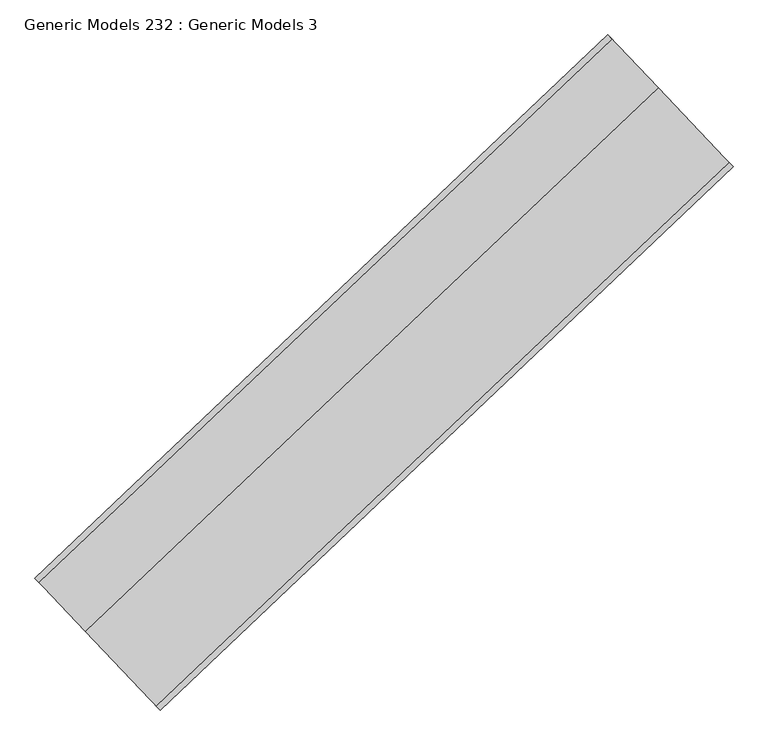
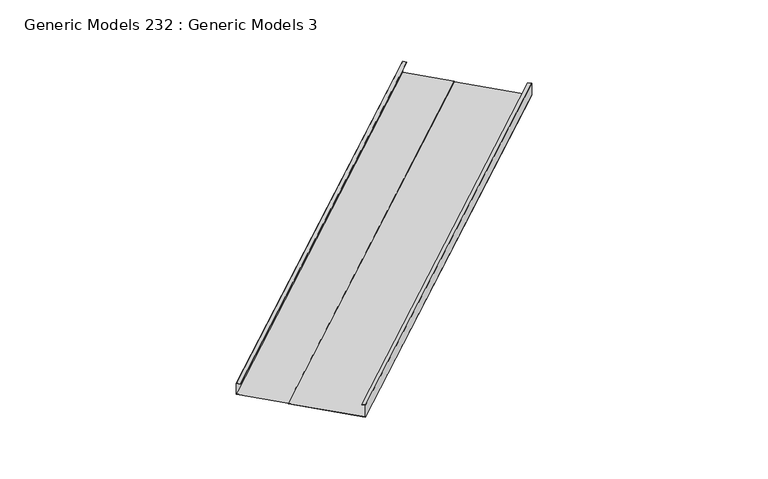
"""IFC4 building model written with IfcOpenShell, lengths in millimetres: proxy geometry, Generic Models 232 : Generic Models 3."""

from ifc_helpers import new_model, si_unit, frame, origin, place, context, project, spatial, polyline, outline, extrude, source, transform, mapped, element, save


def generic_models_232_generic_models_3_b350375e(model_context):
    return source(origin(), model_context, "Body", "SweptSolid", [
        extrude(outline(polyline([(1913.1456428, 0.0), (1913.1456428, -204.7620583), (1855.9956427, -204.7620583), (1855.9956427, -203.1745583), (1911.5581427, -203.1745583), (1911.5581427, -1.5875), (767.0148276, -1.5875), (767.0148276, -15.9393486), (0.2081427, -15.9393486), (0.2081427, -203.2), (59.016854, -203.2), (59.016854, -204.7875), (-1.3793573, -204.7875), (-1.3793573, -14.3518486), (765.4273275, -14.3518486), (765.4273275, 0.0), (1913.1456428, 0.0)])), frame((102544.7982295, 43021.2232853, 17806.6160667), z_axis=(0.7253743710122986, 0.6883545756937424, 0.0), x_axis=(0.6883545756937424, -0.7253743710122986, 0.0)), (0.0, 0.0, 1.0), 8321.675),
    ])


if __name__ == "__main__":
    model = new_model("IFC4")
    model_context = context("Model", 3, world=origin())
    ifc_project = project(units=[si_unit("LENGTHUNIT", "METRE", prefix="MILLI")], contexts=[model_context])
    site = spatial("IfcSite", under=ifc_project)
    building = spatial("IfcBuilding", under=site)
    placement = place(None, origin())
    generic_models_232_generic_models_3_shape = generic_models_232_generic_models_3_b350375e(model_context)
    element("IfcBuildingElementProxy", 1, Name="Generic Models 232 : Generic Models 3", ObjectType="Generic Models 232 : Generic Models 3", at=placement, inside=building, context=model_context, shape_type="MappedRepresentation", body=[
        mapped(generic_models_232_generic_models_3_shape, transform((0.0, 0.0, 0.0), x_axis=(1.0, 0.0, 0.0), y_axis=(0.0, 1.0, 0.0), z_axis=(0.0, 0.0, 1.0))),
    ])
    save(model, "model.ifc")
